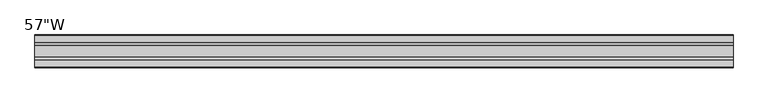
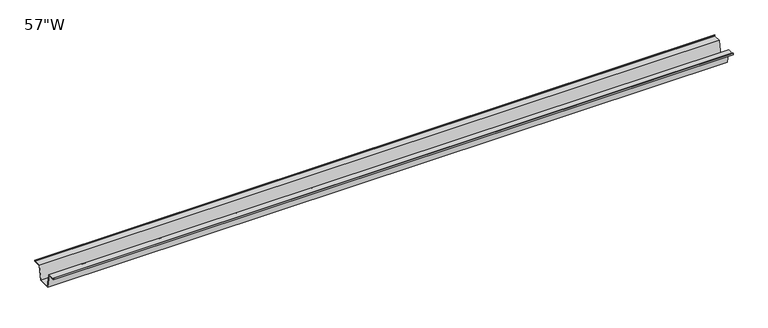
"""IFC4 building model written with IfcOpenShell, lengths in millimetres: furniture geometry."""

from ifc_helpers import new_model, si_unit, frame, origin, place, context, project, spatial, polyline, outline, extrude, source, transform, mapped, element, save


def furniture_90d6d439(model_context):
    return source(origin(), model_context, "Body", "SweptSolid", [
        extrude(outline(polyline([(-22.9397721, 695.325), (-28.502372, 665.0990007), (-53.9023728, 665.0990007), (-59.4649727, 695.325), (-75.3653716, 695.325), (-75.3653716, 698.5), (-74.5716216, 698.5), (-74.5716216, 696.11875), (-58.8172994, 696.11875), (-53.2546995, 665.8927507), (-29.1500453, 665.8927507), (-23.5874454, 696.11875), (-7.8331232, 696.11875), (-7.8331232, 698.5), (-7.0393732, 698.5), (-7.0393732, 695.325), (-22.9397721, 695.325)])), frame((-728.98, 0.0, 0.0), z_axis=(1.0, 0.0, 0.0), x_axis=(0.0, 1.0, 0.0)), (0.0, 0.0, 1.0), 1457.96),
    ])


if __name__ == "__main__":
    model = new_model("IFC4")
    model_context = context("Model", 3, world=origin())
    ifc_project = project(units=[si_unit("LENGTHUNIT", "METRE", prefix="MILLI")], contexts=[model_context])
    site = spatial("IfcSite", under=ifc_project)
    building = spatial("IfcBuilding", under=site)
    placement = place(None, origin())
    furniture_shape = furniture_90d6d439(model_context)
    element("IfcFurniture", 1, ObjectType="57\"W", at=placement, inside=building, context=model_context, shape_type="MappedRepresentation", body=[
        mapped(furniture_shape, transform((0.0, 0.0, 0.0), x_axis=(1.0, 0.0, 0.0), y_axis=(0.0, 1.0, 0.0), z_axis=(0.0, 0.0, 1.0))),
    ])
    save(model, "model.ifc")
